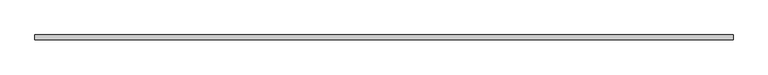
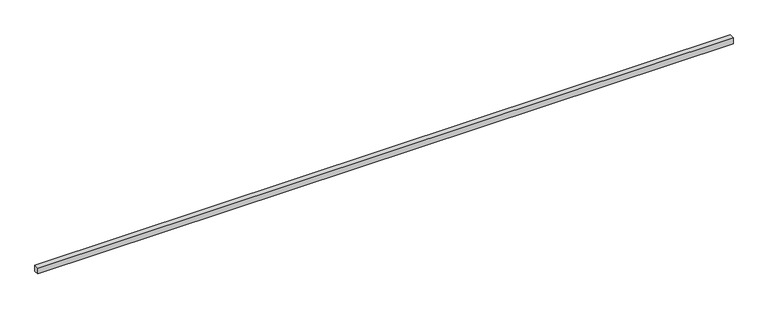
"""IFC4 building model written with IfcOpenShell, lengths in millimetres: proxy geometry."""

import ifcopenshell
import ifcopenshell.guid

model = None  # the IFC model being written
_history = None  # IfcOwnerHistory: only IFC2X3 demands one
_inside = {}  # id of a spatial element -> (the spatial element, [elements in it])
_under = {}  # id of a project, library or spatial element -> (it, [spatial elements below it])
_declared = {}  # id of a project -> (the project, [libraries it declares])
_typed = {}  # id of a type object -> (the type object, [elements of that type])
_made_of = {}  # id of a material, layer set ... -> (it, [elements and type objects made of it])


def new_model(schema):
    """Start an empty IFC model of exactly this schema.

    Asked for "IFC4X3", IfcOpenShell would pick the latest addendum, in which some entities
    have other attributes; the version numbers below select the first issue.
    IFC2X3 requires an IfcOwnerHistory on every rooted entity: one is made here for all.
    """
    global model, _history
    if schema == "IFC4X3":
        model = ifcopenshell.file(schema_version=(4, 3, 0, 0))
    else:
        model = ifcopenshell.file(schema=schema)
    _inside.clear()
    _under.clear()
    _declared.clear()
    _typed.clear()
    _made_of.clear()
    _history = None
    if model.schema == "IFC2X3":
        org = make("IfcOrganization", Name="unknown")
        user = make(
            "IfcPersonAndOrganization",
            ThePerson=make("IfcPerson", FamilyName="unknown"),
            TheOrganization=org,
        )
        app = make(
            "IfcApplication",
            ApplicationDeveloper=org,
            Version="unknown",
            ApplicationFullName="unknown",
            ApplicationIdentifier="unknown",
        )
        _history = make(
            "IfcOwnerHistory",
            OwningUser=user,
            OwningApplication=app,
            ChangeAction="ADDED",
            CreationDate=0,
        )
    return model


def make(cls, **values):
    """One entity of the class cls with the attributes given. An attribute that is None is left unset."""
    return model.create_entity(
        cls, **{name: value for name, value in values.items() if value is not None}
    )


def rooted(cls, **values):
    """An entity with a GlobalId (a new one), such as an element, a storey or a relation."""
    return make(cls, GlobalId=ifcopenshell.guid.new(), OwnerHistory=_history, **values)


def si_unit(unit_type, name, prefix=None):
    """IfcSIUnit, for example si_unit("LENGTHUNIT", "METRE", prefix="MILLI")."""
    return make("IfcSIUnit", UnitType=unit_type, Prefix=prefix, Name=name)


def assignment(units):
    """IfcUnitAssignment: the units of a project."""
    return None if units is None else make("IfcUnitAssignment", Units=units)


def point(xyz):
    """IfcCartesianPoint."""
    return None if xyz is None else make("IfcCartesianPoint", Coordinates=xyz)


def direction(xyz):
    """IfcDirection."""
    return None if xyz is None else make("IfcDirection", DirectionRatios=xyz)


def frame(location, z_axis=None, x_axis=None):
    """IfcAxis2Placement3D, a coordinate frame: its origin and axes. An axis left out is left unset."""
    return make(
        "IfcAxis2Placement3D",
        Location=point(location),
        Axis=direction(z_axis),
        RefDirection=direction(x_axis),
    )


def origin():
    """The frame at (0, 0, 0) with its axes left unset."""
    return frame((0.0, 0.0, 0.0))


def place(relative_to, where):
    """IfcLocalPlacement: puts the frame where relative to a parent placement (None: the world)."""
    return make(
        "IfcLocalPlacement", PlacementRelTo=relative_to, RelativePlacement=where
    )


def context(
    kind, dimensions, precision=None, world=None, true_north=None, identifier=None
):
    """IfcGeometricRepresentationContext, for example the 3D "Model" context."""
    return make(
        "IfcGeometricRepresentationContext",
        ContextIdentifier=identifier,
        ContextType=kind,
        CoordinateSpaceDimension=dimensions,
        Precision=precision,
        WorldCoordinateSystem=world,
        TrueNorth=true_north,
    )


def project(units=None, contexts=None):
    """IfcProject with its units and contexts."""
    return rooted(
        "IfcProject",
        Name="project",
        RepresentationContexts=contexts,
        UnitsInContext=assignment(units),
    )


def spatial(cls, under=None, at=None, **own):
    """A site, building, storey or space (cls), placed at a placement, below another one or the project."""
    s = rooted(cls, ObjectPlacement=at, **own)
    if under is not None:
        _under.setdefault(under.id(), (under, []))[1].append(s)
    return s


def polyline(points):
    """IfcPolyline through the points."""
    return make("IfcPolyline", Points=[point(p) for p in points])


def outline(outer, holes=None, kind="AREA"):
    """IfcArbitraryClosedProfileDef: a profile drawn as a closed curve; with holes, ...WithVoids."""
    if holes is None:
        return make("IfcArbitraryClosedProfileDef", ProfileType=kind, OuterCurve=outer)
    return make(
        "IfcArbitraryProfileDefWithVoids",
        ProfileType=kind,
        OuterCurve=outer,
        InnerCurves=holes,
    )


def extrude(swept, where, along, depth):
    """IfcExtrudedAreaSolid: the profile swept, set in the frame where, extruded along a direction by depth."""
    return make(
        "IfcExtrudedAreaSolid",
        SweptArea=swept,
        Position=where,
        ExtrudedDirection=direction(along),
        Depth=depth,
    )


def shape(context_of_items, identifier, shape_type, items):
    """IfcShapeRepresentation: the items that make up one representation, for example the "Body"."""
    return make(
        "IfcShapeRepresentation",
        ContextOfItems=context_of_items,
        RepresentationIdentifier=identifier,
        RepresentationType=shape_type,
        Items=items,
    )


def source(mapping_origin, context_of_items, identifier, shape_type, items):
    """IfcRepresentationMap: a shape defined once, which mapped items show again and again."""
    return make(
        "IfcRepresentationMap",
        MappingOrigin=mapping_origin,
        MappedRepresentation=shape(context_of_items, identifier, shape_type, items),
    )


def transform(
    local_origin,
    x_axis=None,
    y_axis=None,
    z_axis=None,
    scale=None,
    scale2=None,
    scale3=None,
    uniform=True,
):
    """IfcCartesianTransformationOperator3D, or its non-uniform kind. x_axis, y_axis, z_axis: its Axis1, 2, 3."""
    if uniform:
        return make(
            "IfcCartesianTransformationOperator3D",
            Axis1=direction(x_axis),
            Axis2=direction(y_axis),
            LocalOrigin=point(local_origin),
            Scale=scale,
            Axis3=direction(z_axis),
        )
    return make(
        "IfcCartesianTransformationOperator3DnonUniform",
        Axis1=direction(x_axis),
        Axis2=direction(y_axis),
        LocalOrigin=point(local_origin),
        Scale=scale,
        Axis3=direction(z_axis),
        Scale2=scale2,
        Scale3=scale3,
    )


def mapped(mapping_source, mapping_target):
    """IfcMappedItem: shows the shape of a source again, moved by a transform."""
    return make(
        "IfcMappedItem", MappingSource=mapping_source, MappingTarget=mapping_target
    )


def made_of(thing, what):
    """Note that an element or type object is made of a material, layer set ...; save() writes the relation."""
    if what is not None:
        _made_of.setdefault(what.id(), (what, []))[1].append(thing)
    return thing


def element(
    cls,
    number,
    at=None,
    inside=None,
    cuts=None,
    type_object=None,
    material=None,
    context=None,
    identifier="Body",
    shape_type=None,
    held_by="IfcProductDefinitionShape",
    body=None,
    shapes=None,
    **own,
):
    """One element of the class cls, such as IfcWall. Its Tag is "e" and its number.

    at: its placement. inside: the storey or other place that contains it. cuts: it is an
    opening in that element (IfcRelVoidsElement). A single representation is given by context,
    identifier, shape_type and body (its items); several are given by shapes. held_by: the class
    of the entity that holds the representations. save() writes the other relations.
    """
    e = rooted(cls, Tag="e%d" % number, ObjectPlacement=at, **own)
    if body is not None:
        shapes = [shape(context, identifier, shape_type, body)]
    if shapes is not None:
        e.Representation = make(held_by, Representations=shapes)
    if inside is not None:
        _inside.setdefault(inside.id(), (inside, []))[1].append(e)
    if cuts is not None:
        rooted(
            "IfcRelVoidsElement", RelatingBuildingElement=cuts, RelatedOpeningElement=e
        )
    if type_object is not None:
        _typed.setdefault(type_object.id(), (type_object, []))[1].append(e)
    return made_of(e, material)


def aggregate(whole, parts):
    """IfcRelAggregates: a whole, such as a stair, and the parts it consists of."""
    return rooted("IfcRelAggregates", RelatingObject=whole, RelatedObjects=parts)


def save(model, path):
    """Write the relations noted so far, then the file.

    IfcRelAggregates (storeys below a building ...), IfcRelContainedInSpatialStructure (elements
    in a storey), IfcRelDefinesByType, IfcRelAssociatesMaterial and IfcRelDeclares: one each for
    every whole, place, type object, material and project.
    """
    for whole, parts in _under.values():
        aggregate(whole, parts)
    for where, things in _inside.values():
        rooted(
            "IfcRelContainedInSpatialStructure",
            RelatedElements=things,
            RelatingStructure=where,
        )
    for kind, things in _typed.values():
        rooted("IfcRelDefinesByType", RelatedObjects=things, RelatingType=kind)
    for what, things in _made_of.values():
        rooted("IfcRelAssociatesMaterial", RelatedObjects=things, RelatingMaterial=what)
    for by, libraries in _declared.values():
        rooted("IfcRelDeclares", RelatingContext=by, RelatedDefinitions=libraries)
    model.write(path)


def generic_models_98ac4a64(model_context):
    return source(origin(), model_context, "Body", "SweptSolid", [
        extrude(outline(polyline([(40.0, 0.0), (-40.0, 0.0), (-40.0, 11080.0), (40.0, 11080.0), (40.0, 0.0)])), frame((11080.0, 0.0, 0.0), z_axis=(0.0, -1.9783474858313244e-12, 1.0), x_axis=(0.0, 1.0, 1.9783474858313244e-12)), (0.0, 0.0, 1.0), 100.0),
    ])


if __name__ == "__main__":
    model = new_model("IFC4")
    model_context = context("Model", 3, world=origin())
    ifc_project = project(units=[si_unit("LENGTHUNIT", "METRE", prefix="MILLI")], contexts=[model_context])
    site = spatial("IfcSite", under=ifc_project)
    building = spatial("IfcBuilding", under=site)
    placement = place(None, origin())
    generic_models_shape = generic_models_98ac4a64(model_context)
    element("IfcBuildingElementProxy", 1, Name="Generic Models", at=placement, inside=building, context=model_context, shape_type="MappedRepresentation", body=[
        mapped(generic_models_shape, transform((0.0, 0.0, 0.0), x_axis=(1.0, 0.0, 0.0), y_axis=(0.0, 1.0, 0.0), z_axis=(0.0, 0.0, 1.0))),
    ])
    save(model, "model.ifc")
